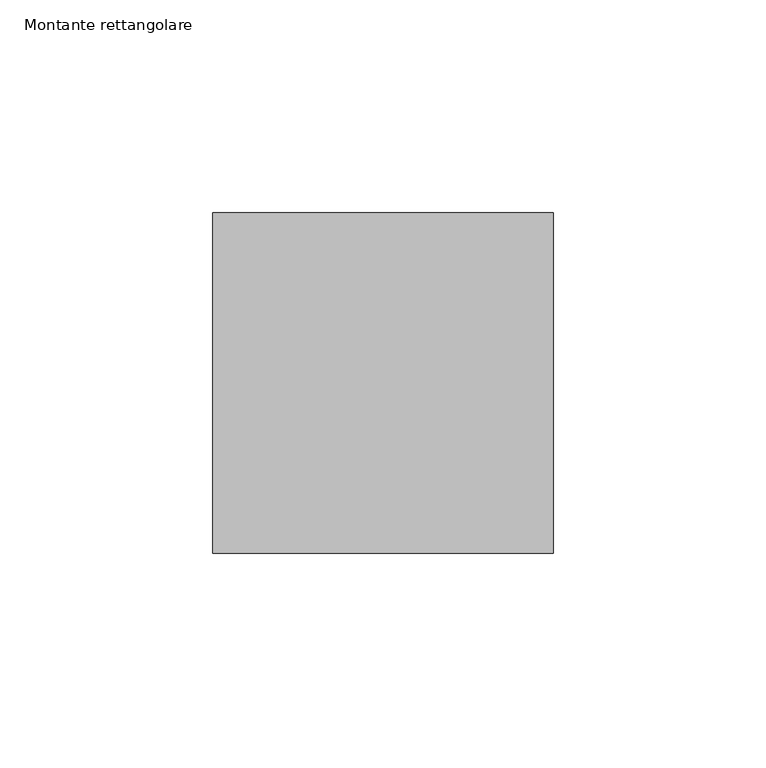
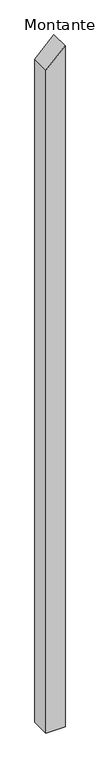
"""IFC4 building model written with IfcOpenShell, lengths in millimetres: member geometry, Montante rettangolare."""

from ifc_helpers import new_model, si_unit, frame, origin, place, context, project, spatial, polyline, outline, extrude, source, transform, mapped, element, save


def montante_rettangolare_5771968c(model_context):
    return source(origin(), model_context, "Body", "SweptSolid", [
        extrude(outline(polyline([(-0.1660147, 40.0), (-79.8346743, -40.0), (-3018.6006893, -40.0), (-3018.6006893, 40.0), (-0.1660147, 40.0)])), frame((0.0, -40.0, 0.0), z_axis=(0.0, 1.0, 0.0), x_axis=(0.0, 0.0, 1.0)), (0.0, 0.0, 1.0), 80.0),
    ])


if __name__ == "__main__":
    model = new_model("IFC4")
    model_context = context("Model", 3, world=origin())
    ifc_project = project(units=[si_unit("LENGTHUNIT", "METRE", prefix="MILLI")], contexts=[model_context])
    site = spatial("IfcSite", under=ifc_project)
    building = spatial("IfcBuilding", under=site)
    placement = place(None, origin())
    montante_rettangolare_shape = montante_rettangolare_5771968c(model_context)
    element("IfcMember", 1, ObjectType="Montante rettangolare", at=placement, inside=building, context=model_context, shape_type="MappedRepresentation", body=[
        mapped(montante_rettangolare_shape, transform((0.0, 0.0, 0.0), x_axis=(1.0, 0.0, 0.0), y_axis=(0.0, 1.0, 0.0), z_axis=(0.0, 0.0, 1.0))),
    ])
    save(model, "model.ifc")
